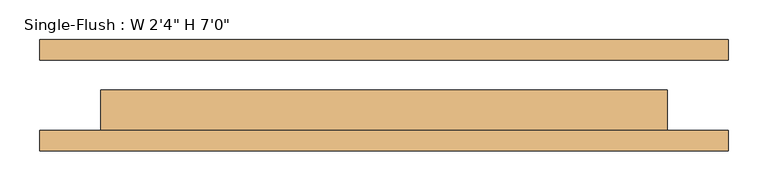
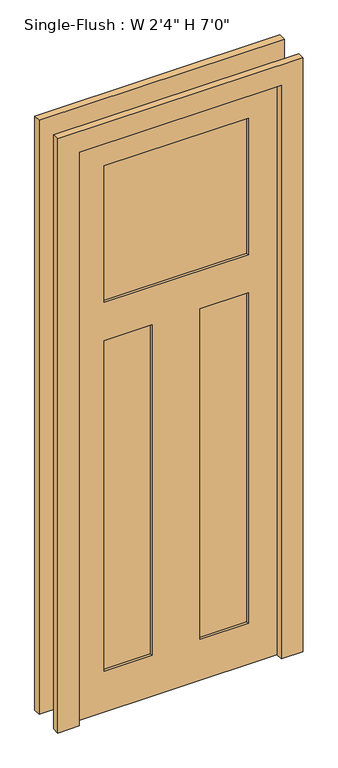
"""IFC4 building model written with IfcOpenShell, lengths in millimetres: door geometry."""

from ifc_helpers import new_model, si_unit, frame, origin, place, context, project, spatial, polyline, outline, extrude, faceted_brep, source, transform, mapped, element, save


def door_d56e379c(model_context):
    return source(origin(), model_context, "Body", "SolidModel", [
        faceted_brep([(355.6, 6.35, 2133.6), (355.6, 6.35, 0.0), (-355.6, 6.35, 0.0), (-355.6, 6.35, 2133.6), (254.0, 6.35, 2032.0), (-254.0, 6.35, 2032.0), (-254.0, 6.35, 1524.0), (254.0, 6.35, 1524.0), (-84.6666667, 6.35, 1382.3847826), (-254.0, 6.35, 1382.3847826), (-254.0, 6.35, 152.4), (-84.6666667, 6.35, 152.4), (84.6666667, 6.35, 1382.3847826), (84.6666667, 6.35, 152.4), (254.0, 6.35, 152.4), (254.0, 6.35, 1382.3847826), (355.6, -44.45, 2133.6), (-355.6, -44.45, 2133.6), (-355.6, -44.45, 0.0), (355.6, -44.45, 0.0), (254.0, -44.45, 1524.0), (-254.0, -44.45, 1524.0), (-254.0, -44.45, 2032.0), (254.0, -44.45, 2032.0), (-84.6666667, -44.45, 152.4), (-254.0, -44.45, 152.4), (-254.0, -44.45, 1382.3847826), (-84.6666667, -44.45, 1382.3847826), (254.0, -44.45, 1382.3847826), (254.0, -44.45, 152.4), (84.6666667, -44.45, 152.4), (84.6666667, -44.45, 1382.3847826), (254.0, -34.925, 1524.0), (254.0, -34.925, 2032.0), (-254.0, -34.925, 1524.0), (-254.0, -34.925, 2032.0), (-84.6666667, -34.925, 152.4), (-84.6666667, -34.925, 1382.3847826), (-254.0, -34.925, 152.4), (-254.0, -34.925, 1382.3847826), (254.0, -34.925, 1382.3847826), (84.6666667, -34.925, 1382.3847826), (254.0, -34.925, 152.4), (84.6666667, -34.925, 152.4), (254.0, -3.175, 2032.0), (254.0, -3.175, 1524.0), (-254.0, -3.175, 1524.0), (-254.0, -3.175, 2032.0), (-84.6666667, -3.175, 1382.3847826), (-84.6666667, -3.175, 152.4), (-254.0, -3.175, 152.4), (-254.0, -3.175, 1382.3847826), (84.6666667, -3.175, 1382.3847826), (254.0, -3.175, 1382.3847826), (254.0, -3.175, 152.4), (84.6666667, -3.175, 152.4)], [[[0, 1, 2, 3], [4, 5, 6, 7], [8, 9, 10, 11], [12, 13, 14, 15]], [[16, 17, 18, 19], [20, 21, 22, 23], [24, 25, 26, 27], [28, 29, 30, 31]], [[3, 17, 16, 0]], [[2, 18, 17, 3]], [[1, 19, 18, 2]], [[0, 16, 19, 1]], [[32, 20, 23, 33]], [[34, 21, 20, 32]], [[35, 22, 21, 34]], [[33, 23, 22, 35]], [[36, 24, 27, 37]], [[38, 25, 24, 36]], [[39, 26, 25, 38]], [[37, 27, 26, 39]], [[40, 28, 31, 41]], [[42, 29, 28, 40]], [[43, 30, 29, 42]], [[41, 31, 30, 43]], [[33, 35, 34, 32]], [[37, 39, 38, 36]], [[41, 43, 42, 40]], [[44, 45, 46, 47]], [[48, 49, 50, 51]], [[52, 53, 54, 55]], [[44, 4, 7, 45]], [[45, 7, 6, 46]], [[46, 6, 5, 47]], [[47, 5, 4, 44]], [[48, 8, 11, 49]], [[49, 11, 10, 50]], [[50, 10, 9, 51]], [[51, 9, 8, 48]], [[52, 12, 15, 53]], [[53, 15, 14, 54]], [[54, 14, 13, 55]], [[55, 13, 12, 52]]]),
        extrude(outline(polyline([(2209.8, -431.8), (0.0, -431.8), (0.0, -355.6), (2133.6, -355.6), (2133.6, 355.6), (0.0, 355.6), (0.0, 431.8), (2209.8, 431.8), (2209.8, -431.8)])), frame((0.0, -69.85, 0.0), z_axis=(0.0, 1.0, 0.0), x_axis=(0.0, 0.0, 1.0)), (0.0, 0.0, 1.0), 25.4),
        extrude(outline(polyline([(2209.8, 431.8), (2209.8, -431.8), (0.0, -431.8), (0.0, -355.6), (2133.6, -355.6), (2133.6, 355.6), (0.0, 355.6), (0.0, 431.8), (2209.8, 431.8)])), frame((0.0, 44.45, 0.0), z_axis=(0.0, 1.0, 0.0), x_axis=(0.0, 0.0, 1.0)), (0.0, 0.0, 1.0), 25.4),
    ])


if __name__ == "__main__":
    model = new_model("IFC4")
    model_context = context("Model", 3, world=origin())
    ifc_project = project(units=[si_unit("LENGTHUNIT", "METRE", prefix="MILLI")], contexts=[model_context])
    site = spatial("IfcSite", under=ifc_project)
    building = spatial("IfcBuilding", under=site)
    placement = place(None, origin())
    door_shape = door_d56e379c(model_context)
    element("IfcDoor", 1, ObjectType="Single-Flush : W 2'4\" H 7'0\"", at=placement, inside=building, context=model_context, shape_type="MappedRepresentation", body=[
        mapped(door_shape, transform((0.0, 0.0, 0.0), x_axis=(1.0, 0.0, 0.0), y_axis=(0.0, 1.0, 0.0), z_axis=(0.0, 0.0, 1.0))),
    ])
    save(model, "model.ifc")
